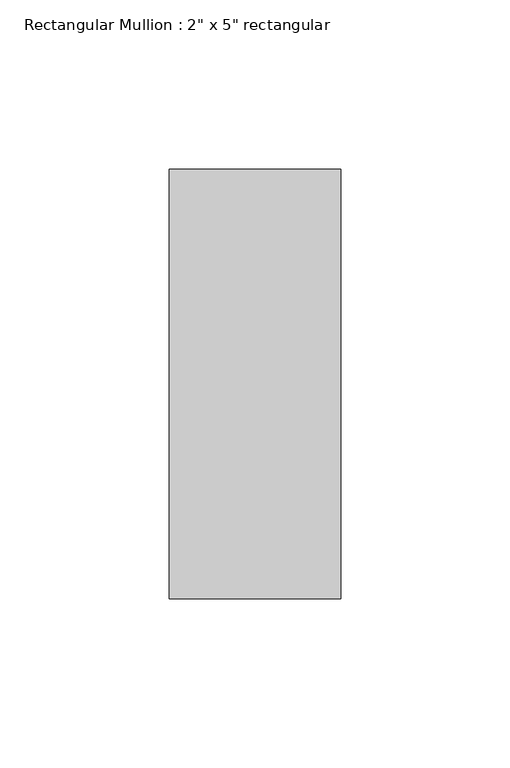
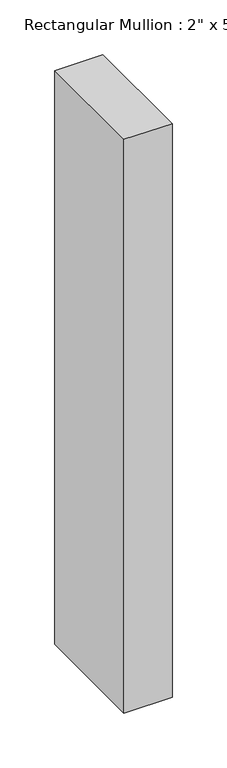
"""IFC4 building model written with IfcOpenShell, lengths in millimetres: member geometry."""

from ifc_helpers import new_model, si_unit, frame, origin, place, context, project, spatial, polyline, outline, extrude, source, transform, mapped, element, save


def member_8eff6e6a(model_context):
    return source(origin(), model_context, "Body", "SweptSolid", [
        extrude(outline(polyline([(25.4, 63.5), (25.4, -63.5), (-25.4, -63.5), (-25.4, 63.5), (25.4, 63.5)])), frame((0.0, 0.0, -641.35), z_axis=(0.0, 0.0, 1.0), x_axis=(1.0, 0.0, 0.0)), (0.0, 0.0, 1.0), 641.35),
    ])


if __name__ == "__main__":
    model = new_model("IFC4")
    model_context = context("Model", 3, world=origin())
    ifc_project = project(units=[si_unit("LENGTHUNIT", "METRE", prefix="MILLI")], contexts=[model_context])
    site = spatial("IfcSite", under=ifc_project)
    building = spatial("IfcBuilding", under=site)
    placement = place(None, origin())
    member_shape = member_8eff6e6a(model_context)
    element("IfcMember", 1, ObjectType="Rectangular Mullion : 2\" x 5\" rectangular", at=placement, inside=building, context=model_context, shape_type="MappedRepresentation", body=[
        mapped(member_shape, transform((0.0, 0.0, 0.0), x_axis=(1.0, 0.0, 0.0), y_axis=(0.0, 1.0, 0.0), z_axis=(0.0, 0.0, 1.0))),
    ])
    save(model, "model.ifc")
